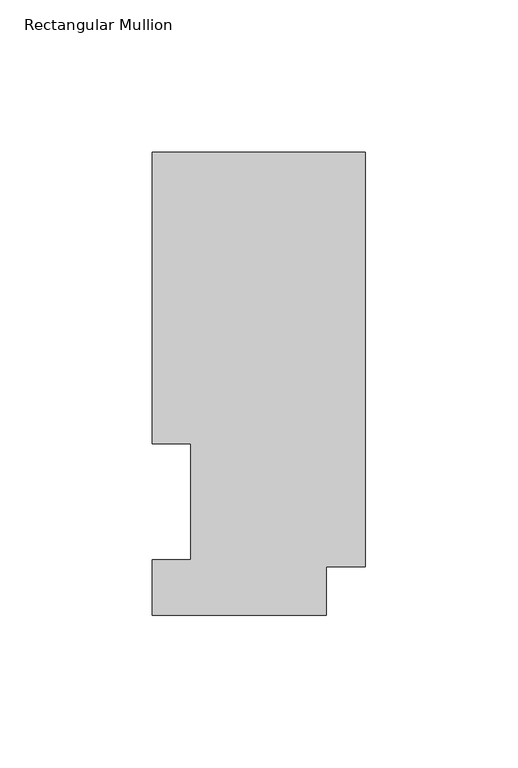
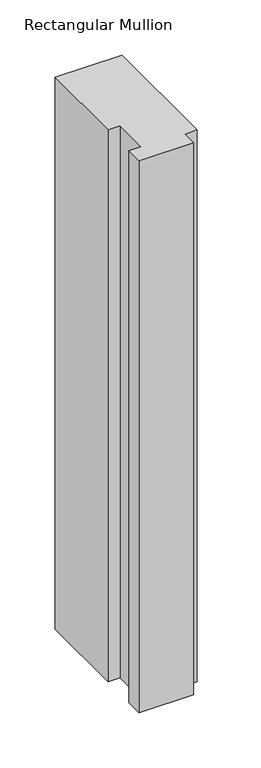
"""IFC4 building model written with IfcOpenShell, lengths in millimetres: member geometry, Rectangular Mullion."""

from ifc_helpers import new_model, si_unit, frame, origin, place, context, project, spatial, polyline, outline, extrude, source, transform, mapped, element, save


def rectangular_mullion_86369b94(model_context):
    return source(origin(), model_context, "Body", "SweptSolid", [
        extrude(outline(polyline([(-69.9516, 151.98725), (0.0, 151.98725), (0.0, 15.86865), (-12.8016, 15.86865), (-12.8016, -0.03175), (-69.9516, -0.03175), (-69.9516, 18.25625), (-57.2516, 18.25625), (-57.2516, 56.35625), (-69.9516, 56.35625), (-69.9516, 151.98725)])), frame((0.0, 0.0, -609.6), z_axis=(0.0, 0.0, 1.0), x_axis=(1.0, 0.0, 0.0)), (0.0, 0.0, 1.0), 609.6),
    ])


if __name__ == "__main__":
    model = new_model("IFC4")
    model_context = context("Model", 3, world=origin())
    ifc_project = project(units=[si_unit("LENGTHUNIT", "METRE", prefix="MILLI")], contexts=[model_context])
    site = spatial("IfcSite", under=ifc_project)
    building = spatial("IfcBuilding", under=site)
    placement = place(None, origin())
    rectangular_mullion_shape = rectangular_mullion_86369b94(model_context)
    element("IfcMember", 1, ObjectType="Rectangular Mullion", at=placement, inside=building, context=model_context, shape_type="MappedRepresentation", body=[
        mapped(rectangular_mullion_shape, transform((0.0, 0.0, 0.0), x_axis=(1.0, 0.0, 0.0), y_axis=(0.0, 1.0, 0.0), z_axis=(0.0, 0.0, 1.0))),
    ])
    save(model, "model.ifc")
